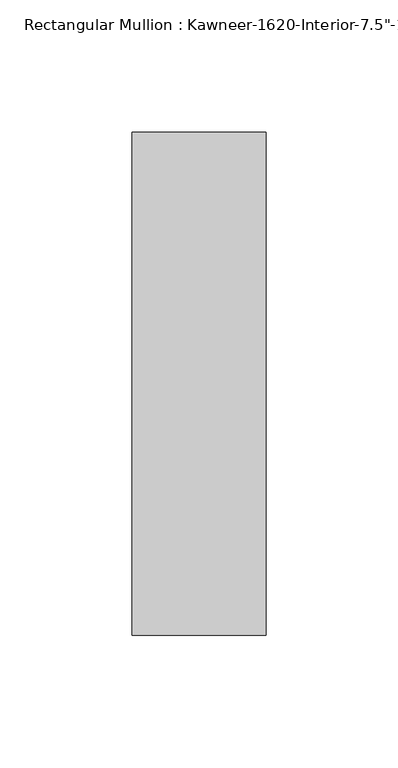
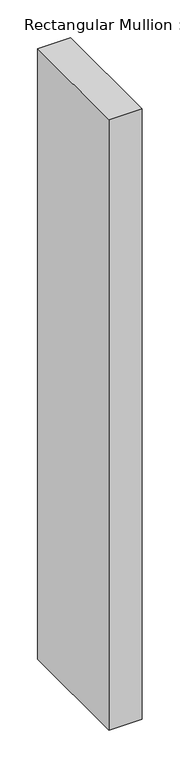
"""IFC4 building model written with IfcOpenShell, lengths in millimetres: member geometry."""

from ifc_helpers import new_model, si_unit, frame, origin, place, context, project, spatial, polyline, outline, extrude, source, transform, mapped, element, save


def member_5d9fe2a2(model_context):
    return source(origin(), model_context, "Body", "SweptSolid", [
        extrude(outline(polyline([(25.4, -152.4), (-25.4, -152.4), (-25.4, 38.1), (25.4, 38.1), (25.4, -152.4)])), frame((0.0, 0.0, -990.6), z_axis=(0.0, 0.0, 1.0), x_axis=(1.0, 0.0, 0.0)), (0.0, 0.0, 1.0), 990.6),
    ])


if __name__ == "__main__":
    model = new_model("IFC4")
    model_context = context("Model", 3, world=origin())
    ifc_project = project(units=[si_unit("LENGTHUNIT", "METRE", prefix="MILLI")], contexts=[model_context])
    site = spatial("IfcSite", under=ifc_project)
    building = spatial("IfcBuilding", under=site)
    placement = place(None, origin())
    member_shape = member_5d9fe2a2(model_context)
    element("IfcMember", 1, ObjectType="Rectangular Mullion : Kawneer-1620-Interior-7.5\"-1\"Infill", at=placement, inside=building, context=model_context, shape_type="MappedRepresentation", body=[
        mapped(member_shape, transform((0.0, 0.0, 0.0), x_axis=(1.0, 0.0, 0.0), y_axis=(0.0, 1.0, 0.0), z_axis=(0.0, 0.0, 1.0))),
    ])
    save(model, "model.ifc")
